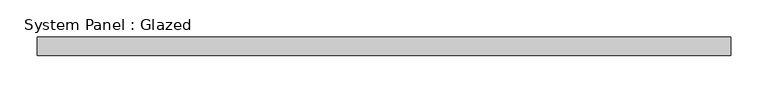
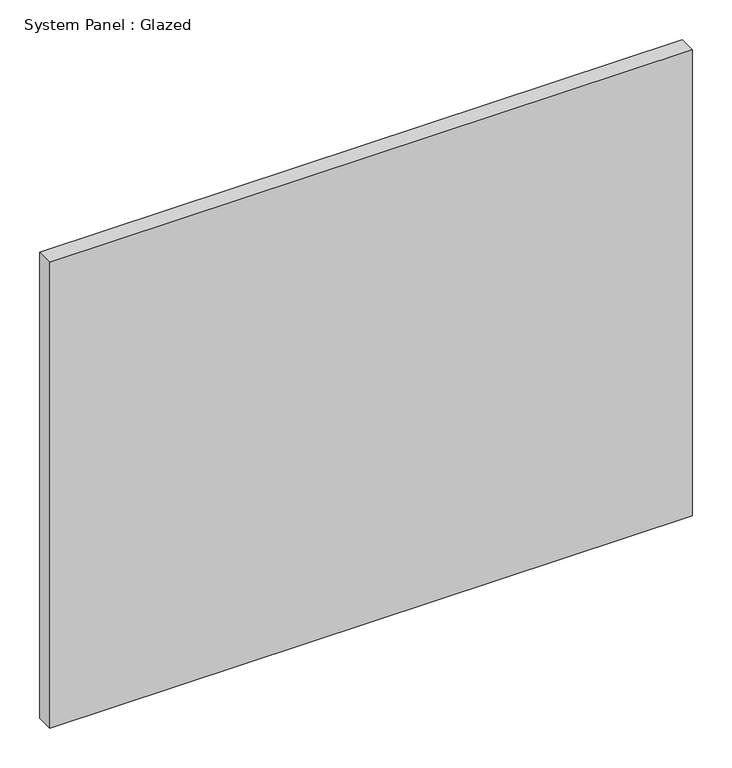
"""IFC4 building model written with IfcOpenShell, lengths in millimetres: plate geometry, System Panel : Glazed."""

from ifc_helpers import new_model, si_unit, origin, origin_with_axes, place, context, project, spatial, polyline, outline, extrude, source, transform, mapped, element, save


def system_panel_glazed_6a3f8e2c(model_context):
    return source(origin(), model_context, "Body", "SweptSolid", [
        extrude(outline(polyline([(468.25, 19.05), (-468.25, 19.05), (-468.25, 44.45), (468.25, 44.45), (468.25, 19.05)])), origin_with_axes(), (0.0, 0.0, 1.0), 717.95),
    ])


if __name__ == "__main__":
    model = new_model("IFC4")
    model_context = context("Model", 3, world=origin())
    ifc_project = project(units=[si_unit("LENGTHUNIT", "METRE", prefix="MILLI")], contexts=[model_context])
    site = spatial("IfcSite", under=ifc_project)
    building = spatial("IfcBuilding", under=site)
    placement = place(None, origin())
    system_panel_glazed_shape = system_panel_glazed_6a3f8e2c(model_context)
    element("IfcPlate", 1, ObjectType="System Panel : Glazed", at=placement, inside=building, context=model_context, shape_type="MappedRepresentation", body=[
        mapped(system_panel_glazed_shape, transform((0.0, 0.0, 0.0), x_axis=(1.0, 0.0, 0.0), y_axis=(0.0, 1.0, 0.0), z_axis=(0.0, 0.0, 1.0))),
    ])
    save(model, "model.ifc")
